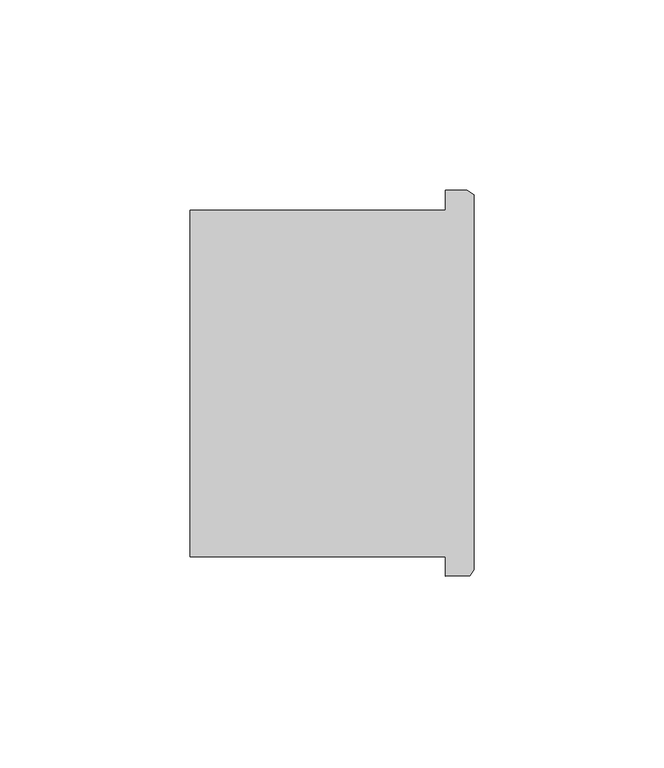
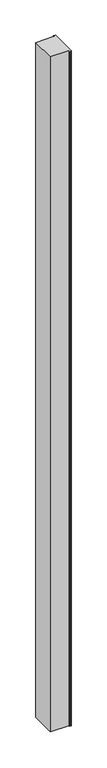
"""IFC4 building model written with IfcOpenShell, lengths in millimetres: column geometry."""

from ifc_helpers import new_model, si_unit, frame, origin, place, context, project, spatial, polyline, outline, extrude, source, transform, mapped, element, save


def column_61f5890a(model_context):
    return source(origin(), model_context, "Body", "SweptSolid", [
        extrude(outline(polyline([(64745.071297, -52874.2919906), (64745.071297, -52869.20084), (64677.782379, -52869.20084), (64677.782379, -52777.9939866), (64745.071297, -52777.9939866), (64745.071297, -52772.6919906), (64750.770168, -52772.6919906), (64752.5375, -52773.9322218), (64752.5375, -52872.6486868), (64751.458508, -52874.1369744), (64745.071297, -52874.2919906)])), frame((0.0, 0.0, 4419.602032), z_axis=(0.0, 0.0, 1.0), x_axis=(1.0, 0.0, 0.0)), (0.0, 0.0, 1.0), 2590.8000818),
        extrude(outline(polyline([(64745.071297, -52874.2919906), (64745.071297, -52869.20084), (64677.782379, -52869.20084), (64677.782379, -52777.9939866), (64745.071297, -52777.9939866), (64745.071297, -52772.6919906), (64750.770168, -52772.6919906), (64752.5375, -52773.9322218), (64752.5375, -52872.6486868), (64751.458508, -52874.1369744), (64745.071297, -52874.2919906)])), frame((0.0, 0.0, 4419.602032), z_axis=(0.0, 0.0, 1.0), x_axis=(1.0, 0.0, 0.0)), (0.0, 0.0, 1.0), 2590.8000818),
    ])


if __name__ == "__main__":
    model = new_model("IFC4")
    model_context = context("Model", 3, world=origin())
    ifc_project = project(units=[si_unit("LENGTHUNIT", "METRE", prefix="MILLI")], contexts=[model_context])
    site = spatial("IfcSite", under=ifc_project)
    building = spatial("IfcBuilding", under=site)
    placement = place(None, origin())
    column_shape = column_61f5890a(model_context)
    element("IfcColumn", 1, at=placement, inside=building, context=model_context, shape_type="MappedRepresentation", body=[
        mapped(column_shape, transform((0.0, 0.0, 0.0), x_axis=(1.0, 0.0, 0.0), y_axis=(0.0, 1.0, 0.0), z_axis=(0.0, 0.0, 1.0))),
    ])
    save(model, "model.ifc")
